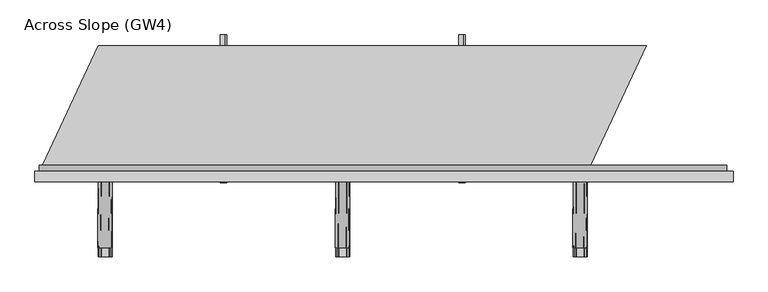
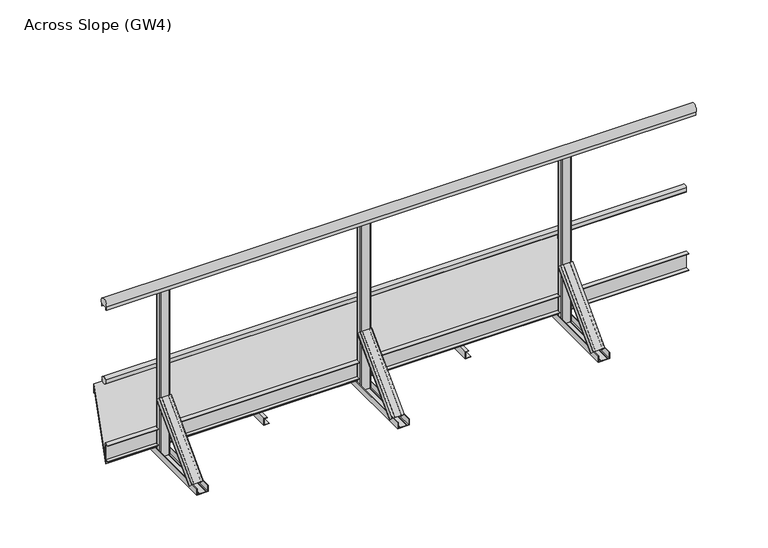
"""IFC4 building model written with IfcOpenShell, lengths in millimetres: proxy geometry, Across Slope (GW4)."""

from ifc_helpers import new_model, si_unit, point, frame, frame_2d, origin, origin_with_axes, place, context, project, spatial, polyline, circle_curve, trimmed, segment, composite_curve, outline, extrude, source, transform, mapped, element, save
from ifc_brep_helpers import plane_surface, extruded_surface, advanced_brep


def across_slope_gw4_ee32e095(model_context):
    return source(origin(), model_context, "Body", "SolidModel", [
        extrude(outline(polyline([(-622.0, 63.0), (-622.0, 66.0), (-600.0, 66.0), (-600.0, 160.0), (-622.0, 160.0), (-622.0, 163.0), (-597.0, 163.0), (-597.0, 63.0), (-622.0, 63.0)])), frame((0.0, 0.0, 0.0), z_axis=(1.0, 0.0, 0.0), x_axis=(0.0, 1.0, 0.0)), (0.0, 0.0, 1.0), 3252.9381096),
        extrude(outline(composite_curve([segment(trimmed(circle_curve(frame_2d((-584.287505, 528.0)), 20.0), [point((-565.7, 520.617273))], [point((-600.0, 515.6259343))], False, "CARTESIAN"), True, "CONTINUOUS"), segment(polyline([(-600.0, 515.6259343), (-600.0, 540.3740657)]), True, "CONTINUOUS"), segment(trimmed(circle_curve(frame_2d((-584.287505, 528.0)), 20.0), [point((-600.0, 540.3740657))], [point((-565.7, 535.382727))], False, "CARTESIAN"), True, "CONTINUOUS"), segment(polyline([(-565.7, 535.382727), (-569.7, 535.382727), (-569.7, 520.617273), (-565.7, 520.617273)]), True, "CONTINUOUS")], self_intersect=False)), frame((0.0, 0.0, 0.0), z_axis=(1.0, 0.0, 0.0), x_axis=(0.0, 1.0, 0.0)), (0.0, 0.0, 1.0), 3252.9381096),
        extrude(outline(composite_curve([segment(trimmed(circle_curve(frame_2d((-619.0, 1015.0)), 25.0), [point((-640.0, 1001.43534))], [point((-598.0, 1001.43534))], False, "CARTESIAN"), True, "CONTINUOUS"), segment(polyline([(-598.0, 1001.43534), (-598.0, 983.0), (-599.0, 983.0), (-599.0, 998.0), (-639.0, 998.0), (-639.0, 983.0), (-640.0, 983.0), (-640.0, 1001.43534)]), True, "CONTINUOUS")], self_intersect=False)), frame((-20.0, 0.0, 0.0), z_axis=(1.0, 0.0, 0.0), x_axis=(0.0, 1.0, 0.0)), (0.0, 0.0, 1.0), 3302.9381096),
        extrude(outline(polyline([(2e-07, 2015.7035822), (2.0000002, 2015.7035822), (2.0000002, 1987.7035822), (38.0000002, 1987.7035822), (38.0000002, 2005.7035822), (40.0000002, 2005.7035822), (40.0000002, 1985.7035822), (2e-07, 1985.7035822), (2e-07, 2015.7035822)])), frame((0.0, -650.0, 0.0), z_axis=(0.0, 1.0, 0.0), x_axis=(0.0, 0.0, 1.0)), (0.0, 0.0, 1.0), 700.0),
        extrude(outline(polyline([(2e-07, 887.2345274), (2.0000002, 887.2345274), (2.0000002, 859.2345274), (38.0000002, 859.2345274), (38.0000002, 877.2345274), (40.0000002, 877.2345274), (40.0000002, 857.2345274), (2e-07, 857.2345274), (2e-07, 887.2345274)])), frame((0.0, -650.0, 0.0), z_axis=(0.0, 1.0, 0.0), x_axis=(0.0, 0.0, 1.0)), (0.0, 0.0, 1.0), 700.0),
        extrude(outline(composite_curve([segment(trimmed(circle_curve(frame_2d((1459.4690548, -605.0)), 5.0), [point((1459.4690548, -600.0))], [point((1464.4690548, -605.0))], False, "CARTESIAN"), True, "CONTINUOUS"), segment(polyline([(1464.4690548, -605.0), (1464.4690548, -633.0)]), True, "CONTINUOUS"), segment(trimmed(circle_curve(frame_2d((1459.4690548, -633.0)), 5.0), [point((1464.4690548, -633.0))], [point((1459.4690548, -638.0))], False, "CARTESIAN"), True, "CONTINUOUS"), segment(polyline([(1459.4690548, -638.0), (1413.4690548, -638.0)]), True, "CONTINUOUS"), segment(trimmed(circle_curve(frame_2d((1413.4690548, -633.0)), 5.0), [point((1413.4690548, -638.0))], [point((1408.4690548, -633.0))], False, "CARTESIAN"), True, "CONTINUOUS"), segment(polyline([(1408.4690548, -633.0), (1408.4690548, -605.0)]), True, "CONTINUOUS"), segment(trimmed(circle_curve(frame_2d((1413.4690548, -605.0)), 5.0), [point((1408.4690548, -605.0))], [point((1413.4690548, -600.0))], False, "CARTESIAN"), True, "CONTINUOUS"), segment(polyline([(1413.4690548, -600.0), (1459.4690548, -600.0)]), True, "CONTINUOUS")], self_intersect=False)), origin_with_axes(), (0.0, 0.0, 1.0), 998.0),
        advanced_brep(
        [(1400.9690548, -956.2087394, 38.0), (1400.9690548, -930.3993419, 12.1906025), (1403.9690548, -930.3993419, 12.1906025), (1403.9690548, -954.0874191, 35.8786797), (1413.9690548, -954.0874191, 35.8786797), (1413.9690548, -952.3196521, 34.1109127), (1414.9690548, -952.3196521, 34.1109127), (1414.9690548, -954.0874191, 35.8786797), (1451.9690548, -954.0874191, 35.8786797), (1451.9690548, -952.3196521, 34.1109127), (1452.9690548, -952.3196521, 34.1109127), (1452.9690548, -954.0874191, 35.8786797), (1462.9690548, -954.0874191, 35.8786797), (1462.9690548, -930.3993419, 12.1906025), (1465.9690548, -930.3993419, 12.1906025), (1465.9690548, -956.2087394, 38.0), (1403.9690548, -638.0106879, 356.1980516), (1468.9690548, -638.0106879, 356.1980516), (1468.9690548, -612.2012904, 330.3886541), (1465.9690548, -612.2012904, 330.3886541), (1465.9690548, -635.8893676, 354.0767312), (1455.9690548, -635.8893676, 354.0767312), (1455.9690548, -634.1216006, 352.3089643), (1454.9690548, -634.1216006, 352.3089643), (1454.9690548, -635.8893676, 354.0767312), (1417.9690548, -635.8893676, 354.0767312), (1417.9690548, -634.1216006, 352.3089643), (1416.9690548, -634.1216006, 352.3089643), (1416.9690548, -635.8893676, 354.0767312), (1406.9690548, -635.8893676, 354.0767312), (1406.9690548, -612.2012904, 330.3886541), (1403.9690548, -612.2012904, 330.3886541)],
        [
            (0, 1),
            (1, 2, circle_curve(frame((1402.4690548, -930.3993419, 12.1906025), z_axis=(0.0, -0.7071067811865434, -0.7071067811865518), x_axis=(0.0, 0.7071067811865518, -0.7071067811865434)), 1.5)),
            (2, 3),
            (3, 4),
            (4, 5),
            (5, 6, circle_curve(frame((1414.4690548, -952.3196521, 34.1109127), z_axis=(0.0, -0.7071067811865434, -0.7071067811865518), x_axis=(0.0, 0.7071067811865518, -0.7071067811865434)), 0.5)),
            (6, 7),
            (7, 8),
            (8, 9),
            (9, 10, circle_curve(frame((1452.4690548, -952.3196521, 34.1109127), z_axis=(0.0, -0.7071067811865434, -0.7071067811865518), x_axis=(0.0, 0.7071067811865518, -0.7071067811865434)), 0.5)),
            (10, 11),
            (11, 12),
            (12, 13),
            (13, 14, circle_curve(frame((1464.4690548, -930.3993419, 12.1906025), z_axis=(0.0, -0.7071067811865434, -0.7071067811865518), x_axis=(0.0, 0.7071067811865518, -0.7071067811865434)), 1.5)),
            (14, 15),
            (15, 0),
            (16, 17),
            (17, 18),
            (18, 19, circle_curve(frame((1467.4690548, -612.2012904, 330.3886541), z_axis=(0.0, 0.7071067811865434, 0.7071067811865518), x_axis=(0.0, 0.7071067811865518, -0.7071067811865434)), 1.5)),
            (19, 20),
            (20, 21),
            (21, 22),
            (22, 23, circle_curve(frame((1455.4690548, -634.1216006, 352.3089643), z_axis=(0.0, 0.7071067811865434, 0.7071067811865518), x_axis=(0.0, 0.7071067811865518, -0.7071067811865434)), 0.5)),
            (23, 24),
            (24, 25),
            (25, 26),
            (26, 27, circle_curve(frame((1417.4690548, -634.1216006, 352.3089643), z_axis=(0.0, 0.7071067811865434, 0.7071067811865518), x_axis=(0.0, 0.7071067811865518, -0.7071067811865434)), 0.5)),
            (27, 28),
            (28, 29),
            (29, 30),
            (30, 31, circle_curve(frame((1405.4690548, -612.2012904, 330.3886541), z_axis=(0.0, 0.7071067811865434, 0.7071067811865518), x_axis=(0.0, 0.7071067811865518, -0.7071067811865434)), 1.5)),
            (31, 16),
            (31, 1),
            (0, 16),
            (30, 2),
            (29, 3),
            (28, 4),
            (27, 5),
            (26, 6),
            (25, 7),
            (24, 8),
            (23, 9),
            (22, 10),
            (21, 11),
            (20, 12),
            (19, 13),
            (18, 14),
            (17, 15),
        ],
        [
            plane_surface(frame((1433.4690548, -947.9886231, 29.7798837), z_axis=(0.0, -0.7071067811865431, -0.7071067811865519), x_axis=(0.0, 0.7071067811865519, -0.7071067811865431))),
            plane_surface(frame((1436.4690548, -629.7905716, 347.9779352), z_axis=(0.0, 0.7071067811865432, 0.7071067811865518), x_axis=(0.0, 0.7071067811865518, -0.7071067811865432))),
            plane_surface(frame((1403.9690548, -625.1059891, 343.2933528), z_axis=(-0.9999777785184911, 0.004713940454842056, 0.00471394045484199), x_axis=(0.0, 0.7071067811865519, -0.7071067811865431))),
            extruded_surface(trimmed(circle_curve(frame((1405.4690548, -612.2012904, 330.3886541), z_axis=(0.0, -0.7071067811865434, -0.7071067811865518), x_axis=(0.0, 0.7071067811865518, -0.7071067811865434)), 1.5), [point((1403.9690548, -612.2012904, 330.3886541))], [point((1406.9690548, -612.2012904, 330.3886541))], True, "CARTESIAN"), (-3.0, -318.1980515, -318.1980516), 450.0099999115941),
            plane_surface(frame((1406.9690548, -624.045329, 342.2326926), z_axis=(0.9999777785184913, -0.004713940454842056, -0.004713940454841989), x_axis=(0.0, -0.707106781186552, 0.7071067811865432))),
            plane_surface(frame((1411.9690548, -635.8893676, 354.0767312), z_axis=(0.0, 0.7071067811865522, -0.7071067811865428), x_axis=(1.0, 0.0, 0.0))),
            plane_surface(frame((1416.9690548, -635.0054841, 353.1928478), z_axis=(-0.9999777785184911, 0.004713940454842032, 0.004713940454842015), x_axis=(0.0, 0.7071067811865557, -0.7071067811865394))),
            extruded_surface(trimmed(circle_curve(frame((1417.4690548, -634.1216006, 352.3089643), z_axis=(0.0, -0.7071067811865434, -0.7071067811865518), x_axis=(0.0, 0.7071067811865518, -0.7071067811865434)), 0.5), [point((1416.9690548, -634.1216006, 352.3089643))], [point((1417.9690548, -634.1216006, 352.3089643))], True, "CARTESIAN"), (-3.0, -318.1980515, -318.1980516), 450.0099999115941),
            plane_surface(frame((1417.9690548, -635.0054841, 353.1928478), z_axis=(0.9999777785184911, -0.004713940454842046, -0.004713940454842029), x_axis=(0.0, -0.7071067811865557, 0.7071067811865394))),
            plane_surface(frame((1436.4690548, -635.8893676, 354.0767312), z_axis=(0.0, 0.7071067811865522, -0.7071067811865428), x_axis=(1.0, 0.0, 0.0))),
            plane_surface(frame((1454.9690548, -635.0054841, 353.1928478), z_axis=(-0.9999777785184911, 0.004713940454842039, 0.004713940454842022), x_axis=(0.0, 0.7071067811865557, -0.7071067811865394))),
            extruded_surface(trimmed(circle_curve(frame((1455.4690548, -634.1216006, 352.3089643), z_axis=(0.0, -0.7071067811865434, -0.7071067811865518), x_axis=(0.0, 0.7071067811865518, -0.7071067811865434)), 0.5), [point((1454.9690548, -634.1216006, 352.3089643))], [point((1455.9690548, -634.1216006, 352.3089643))], True, "CARTESIAN"), (-3.0, -318.1980515, -318.1980516), 450.0099999115941),
            plane_surface(frame((1455.9690548, -635.0054841, 353.1928478), z_axis=(0.9999777785184911, -0.004713940454842066, -0.004713940454841993), x_axis=(0.0, -0.7071067811865515, 0.7071067811865436))),
            plane_surface(frame((1460.9690548, -635.8893676, 354.0767312), z_axis=(0.0, 0.707106781186552, -0.707106781186543), x_axis=(1.0, 0.0, 0.0))),
            plane_surface(frame((1465.9690548, -624.045329, 342.2326926), z_axis=(-0.9999777785184913, 0.004713940454842063, 0.004713940454841996), x_axis=(0.0, 0.707106781186552, -0.7071067811865432))),
            extruded_surface(trimmed(circle_curve(frame((1467.4690548, -612.2012904, 330.3886541), z_axis=(0.0, -0.7071067811865434, -0.7071067811865518), x_axis=(0.0, 0.7071067811865518, -0.7071067811865434)), 1.5), [point((1465.9690548, -612.2012904, 330.3886541))], [point((1468.9690548, -612.2012904, 330.3886541))], True, "CARTESIAN"), (-3.0, -318.1980515, -318.1980516), 450.0099999115941),
            plane_surface(frame((1468.9690548, -625.1059891, 343.2933528), z_axis=(0.9999777785184911, -0.004713940454842065, -0.0047139404548419955), x_axis=(0.0, -0.7071067811865517, 0.7071067811865434))),
            plane_surface(frame((1436.4690548, -638.0106879, 356.1980516), z_axis=(0.0, -0.7071067811865523, 0.7071067811865427), x_axis=(-1.0, 0.0, 0.0))),
        ],
        [
            (0, [[1, 2, 3, 4, 5, 6, 7, 8, 9, 10, 11, 12, 13, 14, 15, 16]]),
            (1, [[17, 18, 19, 20, 21, 22, 23, 24, 25, 26, 27, 28, 29, 30, 31, 32]]),
            (2, [[-32, 33, -1, 34]]),
            (3, [[-31, 35, -2, -33]]),
            (4, [[-30, 36, -3, -35]]),
            (5, [[-29, 37, -4, -36]]),
            (6, [[-28, 38, -5, -37]]),
            (7, [[-27, 39, -6, -38]]),
            (8, [[-26, 40, -7, -39]]),
            (9, [[-25, 41, -8, -40]]),
            (10, [[-24, 42, -9, -41]]),
            (11, [[-23, 43, -10, -42]]),
            (12, [[-22, 44, -11, -43]]),
            (13, [[-21, 45, -12, -44]]),
            (14, [[-20, 46, -13, -45]]),
            (15, [[-19, 47, -14, -46]]),
            (16, [[-18, 48, -15, -47]]),
            (17, [[-17, -34, -16, -48]]),
        ],
    ),
        extrude(outline(composite_curve([segment(polyline([(0.0, 1403.9690548), (0.0, 1468.9690548), (36.5, 1468.9690548)]), True, "CONTINUOUS"), segment(trimmed(circle_curve(frame_2d((36.5, 1467.4690548)), 1.5), [point((36.5, 1468.9690548))], [point((36.5, 1465.9690548))], False, "CARTESIAN"), True, "CONTINUOUS"), segment(polyline([(36.5, 1465.9690548), (3.0, 1465.9690548), (3.0, 1455.9690548), (5.5, 1455.9690548)]), True, "CONTINUOUS"), segment(trimmed(circle_curve(frame_2d((5.5, 1455.4690548)), 0.5), [point((5.5, 1455.9690548))], [point((5.5, 1454.9690548))], False, "CARTESIAN"), True, "CONTINUOUS"), segment(polyline([(5.5, 1454.9690548), (3.0, 1454.9690548), (3.0, 1417.9690548), (5.5, 1417.9690548)]), True, "CONTINUOUS"), segment(trimmed(circle_curve(frame_2d((5.5, 1417.4690548)), 0.5), [point((5.5, 1417.9690548))], [point((5.5, 1416.9690548))], False, "CARTESIAN"), True, "CONTINUOUS"), segment(polyline([(5.5, 1416.9690548), (3.0, 1416.9690548), (3.0, 1406.9690548), (36.5, 1406.9690548)]), True, "CONTINUOUS"), segment(trimmed(circle_curve(frame_2d((36.5, 1405.4690548)), 1.5), [point((36.5, 1406.9690548))], [point((36.5, 1403.9690548))], False, "CARTESIAN"), True, "CONTINUOUS"), segment(polyline([(36.5, 1403.9690548), (0.0, 1403.9690548)]), True, "CONTINUOUS")], self_intersect=False)), frame((0.0, -1000.0, 0.0), z_axis=(0.0, 1.0, 0.0), x_axis=(0.0, 0.0, 1.0)), (0.0, 0.0, 1.0), 1000.0),
        extrude(outline(composite_curve([segment(trimmed(circle_curve(frame_2d((2583.4381096, -605.0)), 5.0), [point((2583.4381096, -600.0))], [point((2588.4381096, -605.0))], False, "CARTESIAN"), True, "CONTINUOUS"), segment(polyline([(2588.4381096, -605.0), (2588.4381096, -633.0)]), True, "CONTINUOUS"), segment(trimmed(circle_curve(frame_2d((2583.4381096, -633.0)), 5.0), [point((2588.4381096, -633.0))], [point((2583.4381096, -638.0))], False, "CARTESIAN"), True, "CONTINUOUS"), segment(polyline([(2583.4381096, -638.0), (2537.4381096, -638.0)]), True, "CONTINUOUS"), segment(trimmed(circle_curve(frame_2d((2537.4381096, -633.0)), 5.0), [point((2537.4381096, -638.0))], [point((2532.4381096, -633.0))], False, "CARTESIAN"), True, "CONTINUOUS"), segment(polyline([(2532.4381096, -633.0), (2532.4381096, -605.0)]), True, "CONTINUOUS"), segment(trimmed(circle_curve(frame_2d((2537.4381096, -605.0)), 5.0), [point((2532.4381096, -605.0))], [point((2537.4381096, -600.0))], False, "CARTESIAN"), True, "CONTINUOUS"), segment(polyline([(2537.4381096, -600.0), (2583.4381096, -600.0)]), True, "CONTINUOUS")], self_intersect=False)), origin_with_axes(), (0.0, 0.0, 1.0), 998.0),
        advanced_brep(
        [(2524.9381096, -956.2087394, 38.0), (2524.9381096, -930.3993419, 12.1906025), (2527.9381096, -930.3993419, 12.1906025), (2527.9381096, -954.0874191, 35.8786797), (2537.9381096, -954.0874191, 35.8786797), (2537.9381096, -952.3196521, 34.1109127), (2538.9381096, -952.3196521, 34.1109127), (2538.9381096, -954.0874191, 35.8786797), (2575.9381096, -954.0874191, 35.8786797), (2575.9381096, -952.3196521, 34.1109127), (2576.9381096, -952.3196521, 34.1109127), (2576.9381096, -954.0874191, 35.8786797), (2586.9381096, -954.0874191, 35.8786797), (2586.9381096, -930.3993419, 12.1906025), (2589.9381096, -930.3993419, 12.1906025), (2589.9381096, -956.2087394, 38.0), (2527.9381096, -638.0106879, 356.1980516), (2592.9381096, -638.0106879, 356.1980516), (2592.9381096, -612.2012904, 330.3886541), (2589.9381096, -612.2012904, 330.3886541), (2589.9381096, -635.8893676, 354.0767312), (2579.9381096, -635.8893676, 354.0767312), (2579.9381096, -634.1216006, 352.3089643), (2578.9381096, -634.1216006, 352.3089643), (2578.9381096, -635.8893676, 354.0767312), (2541.9381096, -635.8893676, 354.0767312), (2541.9381096, -634.1216006, 352.3089643), (2540.9381096, -634.1216006, 352.3089643), (2540.9381096, -635.8893676, 354.0767312), (2530.9381096, -635.8893676, 354.0767312), (2530.9381096, -612.2012904, 330.3886541), (2527.9381096, -612.2012904, 330.3886541)],
        [
            (0, 1),
            (1, 2, circle_curve(frame((2526.4381096, -930.3993419, 12.1906025), z_axis=(0.0, -0.7071067811865434, -0.7071067811865518), x_axis=(0.0, 0.7071067811865518, -0.7071067811865434)), 1.5)),
            (2, 3),
            (3, 4),
            (4, 5),
            (5, 6, circle_curve(frame((2538.4381096, -952.3196521, 34.1109127), z_axis=(0.0, -0.7071067811865434, -0.7071067811865518), x_axis=(0.0, 0.7071067811865518, -0.7071067811865434)), 0.5)),
            (6, 7),
            (7, 8),
            (8, 9),
            (9, 10, circle_curve(frame((2576.4381096, -952.3196521, 34.1109127), z_axis=(0.0, -0.7071067811865434, -0.7071067811865518), x_axis=(0.0, 0.7071067811865518, -0.7071067811865434)), 0.5)),
            (10, 11),
            (11, 12),
            (12, 13),
            (13, 14, circle_curve(frame((2588.4381096, -930.3993419, 12.1906025), z_axis=(0.0, -0.7071067811865434, -0.7071067811865518), x_axis=(0.0, 0.7071067811865518, -0.7071067811865434)), 1.5)),
            (14, 15),
            (15, 0),
            (16, 17),
            (17, 18),
            (18, 19, circle_curve(frame((2591.4381096, -612.2012904, 330.3886541), z_axis=(0.0, 0.7071067811865434, 0.7071067811865518), x_axis=(0.0, 0.7071067811865518, -0.7071067811865434)), 1.5)),
            (19, 20),
            (20, 21),
            (21, 22),
            (22, 23, circle_curve(frame((2579.4381096, -634.1216006, 352.3089643), z_axis=(0.0, 0.7071067811865434, 0.7071067811865518), x_axis=(0.0, 0.7071067811865518, -0.7071067811865434)), 0.5)),
            (23, 24),
            (24, 25),
            (25, 26),
            (26, 27, circle_curve(frame((2541.4381096, -634.1216006, 352.3089643), z_axis=(0.0, 0.7071067811865434, 0.7071067811865518), x_axis=(0.0, 0.7071067811865518, -0.7071067811865434)), 0.5)),
            (27, 28),
            (28, 29),
            (29, 30),
            (30, 31, circle_curve(frame((2529.4381096, -612.2012904, 330.3886541), z_axis=(0.0, 0.7071067811865434, 0.7071067811865518), x_axis=(0.0, 0.7071067811865518, -0.7071067811865434)), 1.5)),
            (31, 16),
            (31, 1),
            (0, 16),
            (30, 2),
            (29, 3),
            (28, 4),
            (27, 5),
            (26, 6),
            (25, 7),
            (24, 8),
            (23, 9),
            (22, 10),
            (21, 11),
            (20, 12),
            (19, 13),
            (18, 14),
            (17, 15),
        ],
        [
            plane_surface(frame((2557.4381096, -947.9886231, 29.7798837), z_axis=(0.0, -0.7071067811865431, -0.7071067811865519), x_axis=(0.0, 0.7071067811865519, -0.7071067811865431))),
            plane_surface(frame((2560.4381096, -629.7905716, 347.9779352), z_axis=(0.0, 0.7071067811865432, 0.7071067811865518), x_axis=(0.0, 0.7071067811865518, -0.7071067811865432))),
            plane_surface(frame((2527.9381096, -625.1059891, 343.2933528), z_axis=(-0.9999777785184911, 0.004713940454842056, 0.00471394045484199), x_axis=(0.0, 0.7071067811865519, -0.7071067811865431))),
            extruded_surface(trimmed(circle_curve(frame((2529.4381096, -612.2012904, 330.3886541), z_axis=(0.0, -0.7071067811865434, -0.7071067811865518), x_axis=(0.0, 0.7071067811865518, -0.7071067811865434)), 1.5), [point((2527.9381096, -612.2012904, 330.3886541))], [point((2530.9381096, -612.2012904, 330.3886541))], True, "CARTESIAN"), (-3.0, -318.1980515, -318.1980516), 450.0099999115941),
            plane_surface(frame((2530.9381096, -624.045329, 342.2326926), z_axis=(0.9999777785184913, -0.004713940454842056, -0.004713940454841989), x_axis=(0.0, -0.707106781186552, 0.7071067811865432))),
            plane_surface(frame((2535.9381096, -635.8893676, 354.0767312), z_axis=(0.0, 0.7071067811865522, -0.7071067811865428), x_axis=(1.0, 0.0, 0.0))),
            plane_surface(frame((2540.9381096, -635.0054841, 353.1928478), z_axis=(-0.9999777785184911, 0.004713940454842032, 0.004713940454842015), x_axis=(0.0, 0.7071067811865557, -0.7071067811865394))),
            extruded_surface(trimmed(circle_curve(frame((2541.4381096, -634.1216006, 352.3089643), z_axis=(0.0, -0.7071067811865434, -0.7071067811865518), x_axis=(0.0, 0.7071067811865518, -0.7071067811865434)), 0.5), [point((2540.9381096, -634.1216006, 352.3089643))], [point((2541.9381096, -634.1216006, 352.3089643))], True, "CARTESIAN"), (-3.0, -318.1980515, -318.1980516), 450.0099999115941),
            plane_surface(frame((2541.9381096, -635.0054841, 353.1928478), z_axis=(0.9999777785184911, -0.004713940454842046, -0.004713940454842029), x_axis=(0.0, -0.7071067811865557, 0.7071067811865394))),
            plane_surface(frame((2560.4381096, -635.8893676, 354.0767312), z_axis=(0.0, 0.7071067811865522, -0.7071067811865428), x_axis=(1.0, 0.0, 0.0))),
            plane_surface(frame((2578.9381096, -635.0054841, 353.1928478), z_axis=(-0.9999777785184911, 0.004713940454842039, 0.004713940454842022), x_axis=(0.0, 0.7071067811865557, -0.7071067811865394))),
            extruded_surface(trimmed(circle_curve(frame((2579.4381096, -634.1216006, 352.3089643), z_axis=(0.0, -0.7071067811865434, -0.7071067811865518), x_axis=(0.0, 0.7071067811865518, -0.7071067811865434)), 0.5), [point((2578.9381096, -634.1216006, 352.3089643))], [point((2579.9381096, -634.1216006, 352.3089643))], True, "CARTESIAN"), (-3.0, -318.1980515, -318.1980516), 450.0099999115941),
            plane_surface(frame((2579.9381096, -635.0054841, 353.1928478), z_axis=(0.9999777785184911, -0.004713940454842066, -0.004713940454841993), x_axis=(0.0, -0.7071067811865515, 0.7071067811865436))),
            plane_surface(frame((2584.9381096, -635.8893676, 354.0767312), z_axis=(0.0, 0.707106781186552, -0.707106781186543), x_axis=(1.0, 0.0, 0.0))),
            plane_surface(frame((2589.9381096, -624.045329, 342.2326926), z_axis=(-0.9999777785184913, 0.004713940454842063, 0.004713940454841996), x_axis=(0.0, 0.707106781186552, -0.7071067811865432))),
            extruded_surface(trimmed(circle_curve(frame((2591.4381096, -612.2012904, 330.3886541), z_axis=(0.0, -0.7071067811865434, -0.7071067811865518), x_axis=(0.0, 0.7071067811865518, -0.7071067811865434)), 1.5), [point((2589.9381096, -612.2012904, 330.3886541))], [point((2592.9381096, -612.2012904, 330.3886541))], True, "CARTESIAN"), (-3.0, -318.1980515, -318.1980516), 450.0099999115941),
            plane_surface(frame((2592.9381096, -625.1059891, 343.2933528), z_axis=(0.9999777785184911, -0.004713940454842065, -0.0047139404548419955), x_axis=(0.0, -0.7071067811865517, 0.7071067811865434))),
            plane_surface(frame((2560.4381096, -638.0106879, 356.1980516), z_axis=(0.0, -0.7071067811865523, 0.7071067811865427), x_axis=(-1.0, 0.0, 0.0))),
        ],
        [
            (0, [[1, 2, 3, 4, 5, 6, 7, 8, 9, 10, 11, 12, 13, 14, 15, 16]]),
            (1, [[17, 18, 19, 20, 21, 22, 23, 24, 25, 26, 27, 28, 29, 30, 31, 32]]),
            (2, [[-32, 33, -1, 34]]),
            (3, [[-31, 35, -2, -33]]),
            (4, [[-30, 36, -3, -35]]),
            (5, [[-29, 37, -4, -36]]),
            (6, [[-28, 38, -5, -37]]),
            (7, [[-27, 39, -6, -38]]),
            (8, [[-26, 40, -7, -39]]),
            (9, [[-25, 41, -8, -40]]),
            (10, [[-24, 42, -9, -41]]),
            (11, [[-23, 43, -10, -42]]),
            (12, [[-22, 44, -11, -43]]),
            (13, [[-21, 45, -12, -44]]),
            (14, [[-20, 46, -13, -45]]),
            (15, [[-19, 47, -14, -46]]),
            (16, [[-18, 48, -15, -47]]),
            (17, [[-17, -34, -16, -48]]),
        ],
    ),
        extrude(outline(composite_curve([segment(polyline([(0.0, 2527.9381096), (0.0, 2592.9381096), (36.5, 2592.9381096)]), True, "CONTINUOUS"), segment(trimmed(circle_curve(frame_2d((36.5, 2591.4381096)), 1.5), [point((36.5, 2592.9381096))], [point((36.5, 2589.9381096))], False, "CARTESIAN"), True, "CONTINUOUS"), segment(polyline([(36.5, 2589.9381096), (3.0, 2589.9381096), (3.0, 2579.9381096), (5.5, 2579.9381096)]), True, "CONTINUOUS"), segment(trimmed(circle_curve(frame_2d((5.5, 2579.4381096)), 0.5), [point((5.5, 2579.9381096))], [point((5.5, 2578.9381096))], False, "CARTESIAN"), True, "CONTINUOUS"), segment(polyline([(5.5, 2578.9381096), (3.0, 2578.9381096), (3.0, 2541.9381096), (5.5, 2541.9381096)]), True, "CONTINUOUS"), segment(trimmed(circle_curve(frame_2d((5.5, 2541.4381096)), 0.5), [point((5.5, 2541.9381096))], [point((5.5, 2540.9381096))], False, "CARTESIAN"), True, "CONTINUOUS"), segment(polyline([(5.5, 2540.9381096), (3.0, 2540.9381096), (3.0, 2530.9381096), (36.5, 2530.9381096)]), True, "CONTINUOUS"), segment(trimmed(circle_curve(frame_2d((36.5, 2529.4381096)), 1.5), [point((36.5, 2530.9381096))], [point((36.5, 2527.9381096))], False, "CARTESIAN"), True, "CONTINUOUS"), segment(polyline([(36.5, 2527.9381096), (0.0, 2527.9381096)]), True, "CONTINUOUS")], self_intersect=False)), frame((0.0, -1000.0, 0.0), z_axis=(0.0, 1.0, 0.0), x_axis=(0.0, 0.0, 1.0)), (0.0, 0.0, 1.0), 1000.0),
        extrude(outline(composite_curve([segment(trimmed(circle_curve(frame_2d((335.5, -605.0)), 5.0), [point((335.5, -600.0))], [point((340.5, -605.0))], False, "CARTESIAN"), True, "CONTINUOUS"), segment(polyline([(340.5, -605.0), (340.5, -633.0)]), True, "CONTINUOUS"), segment(trimmed(circle_curve(frame_2d((335.5, -633.0)), 5.0), [point((340.5, -633.0))], [point((335.5, -638.0))], False, "CARTESIAN"), True, "CONTINUOUS"), segment(polyline([(335.5, -638.0), (289.5, -638.0)]), True, "CONTINUOUS"), segment(trimmed(circle_curve(frame_2d((289.5, -633.0)), 5.0), [point((289.5, -638.0))], [point((284.5, -633.0))], False, "CARTESIAN"), True, "CONTINUOUS"), segment(polyline([(284.5, -633.0), (284.5, -605.0)]), True, "CONTINUOUS"), segment(trimmed(circle_curve(frame_2d((289.5, -605.0)), 5.0), [point((284.5, -605.0))], [point((289.5, -600.0))], False, "CARTESIAN"), True, "CONTINUOUS"), segment(polyline([(289.5, -600.0), (335.5, -600.0)]), True, "CONTINUOUS")], self_intersect=False)), origin_with_axes(), (0.0, 0.0, 1.0), 998.0),
        advanced_brep(
        [(277.0, -956.2087394, 38.0), (277.0, -930.3993419, 12.1906025), (280.0, -930.3993419, 12.1906025), (280.0, -954.0874191, 35.8786797), (290.0, -954.0874191, 35.8786797), (290.0, -952.3196521, 34.1109127), (291.0, -952.3196521, 34.1109127), (291.0, -954.0874191, 35.8786797), (328.0, -954.0874191, 35.8786797), (328.0, -952.3196521, 34.1109127), (329.0, -952.3196521, 34.1109127), (329.0, -954.0874191, 35.8786797), (339.0, -954.0874191, 35.8786797), (339.0, -930.3993419, 12.1906025), (342.0, -930.3993419, 12.1906025), (342.0, -956.2087394, 38.0), (280.0, -638.0106879, 356.1980515), (345.0, -638.0106879, 356.1980515), (345.0, -612.2012904, 330.388654), (342.0, -612.2012904, 330.388654), (342.0, -635.8893676, 354.0767312), (332.0, -635.8893676, 354.0767312), (332.0, -634.1216006, 352.3089642), (331.0, -634.1216006, 352.3089642), (331.0, -635.8893676, 354.0767312), (294.0, -635.8893676, 354.0767312), (294.0, -634.1216006, 352.3089642), (293.0, -634.1216006, 352.3089642), (293.0, -635.8893676, 354.0767312), (283.0, -635.8893676, 354.0767312), (283.0, -612.2012904, 330.388654), (280.0, -612.2012904, 330.388654)],
        [
            (0, 1),
            (1, 2, circle_curve(frame((278.5, -930.3993419, 12.1906025), z_axis=(0.0, -0.7071067811865434, -0.7071067811865518), x_axis=(0.0, 0.7071067811865518, -0.7071067811865434)), 1.5)),
            (2, 3),
            (3, 4),
            (4, 5),
            (5, 6, circle_curve(frame((290.5, -952.3196521, 34.1109127), z_axis=(0.0, -0.7071067811865434, -0.7071067811865518), x_axis=(0.0, 0.7071067811865518, -0.7071067811865434)), 0.5)),
            (6, 7),
            (7, 8),
            (8, 9),
            (9, 10, circle_curve(frame((328.5, -952.3196521, 34.1109127), z_axis=(0.0, -0.7071067811865434, -0.7071067811865518), x_axis=(0.0, 0.7071067811865518, -0.7071067811865434)), 0.5)),
            (10, 11),
            (11, 12),
            (12, 13),
            (13, 14, circle_curve(frame((340.5, -930.3993419, 12.1906025), z_axis=(0.0, -0.7071067811865434, -0.7071067811865518), x_axis=(0.0, 0.7071067811865518, -0.7071067811865434)), 1.5)),
            (14, 15),
            (15, 0),
            (16, 17),
            (17, 18),
            (18, 19, circle_curve(frame((343.5, -612.2012904, 330.388654), z_axis=(0.0, 0.7071067811865434, 0.7071067811865518), x_axis=(0.0, 0.7071067811865518, -0.7071067811865434)), 1.5)),
            (19, 20),
            (20, 21),
            (21, 22),
            (22, 23, circle_curve(frame((331.5, -634.1216006, 352.3089642), z_axis=(0.0, 0.7071067811865434, 0.7071067811865518), x_axis=(0.0, 0.7071067811865518, -0.7071067811865434)), 0.5)),
            (23, 24),
            (24, 25),
            (25, 26),
            (26, 27, circle_curve(frame((293.5, -634.1216006, 352.3089642), z_axis=(0.0, 0.7071067811865434, 0.7071067811865518), x_axis=(0.0, 0.7071067811865518, -0.7071067811865434)), 0.5)),
            (27, 28),
            (28, 29),
            (29, 30),
            (30, 31, circle_curve(frame((281.5, -612.2012904, 330.388654), z_axis=(0.0, 0.7071067811865434, 0.7071067811865518), x_axis=(0.0, 0.7071067811865518, -0.7071067811865434)), 1.5)),
            (31, 16),
            (31, 1),
            (0, 16),
            (30, 2),
            (29, 3),
            (28, 4),
            (27, 5),
            (26, 6),
            (25, 7),
            (24, 8),
            (23, 9),
            (22, 10),
            (21, 11),
            (20, 12),
            (19, 13),
            (18, 14),
            (17, 15),
        ],
        [
            plane_surface(frame((309.5, -947.9886231, 29.7798837), z_axis=(0.0, -0.7071067811865431, -0.7071067811865519), x_axis=(0.0, 0.7071067811865519, -0.7071067811865431))),
            plane_surface(frame((312.5, -629.7905716, 347.9779352), z_axis=(0.0, 0.7071067811865432, 0.7071067811865518), x_axis=(0.0, 0.7071067811865518, -0.7071067811865432))),
            plane_surface(frame((280.0, -625.1059891, 343.2933528), z_axis=(-0.9999777785184911, 0.004713940454842056, 0.00471394045484199), x_axis=(0.0, 0.7071067811865519, -0.7071067811865431))),
            extruded_surface(trimmed(circle_curve(frame((281.5, -612.2012904, 330.388654), z_axis=(0.0, -0.7071067811865434, -0.7071067811865518), x_axis=(0.0, 0.7071067811865518, -0.7071067811865434)), 1.5), [point((280.0, -612.2012904, 330.388654))], [point((283.0, -612.2012904, 330.388654))], True, "CARTESIAN"), (-3.0, -318.1980515, -318.19805149999996), 450.009999840885),
            plane_surface(frame((283.0, -624.045329, 342.2326926), z_axis=(0.9999777785184913, -0.004713940454842056, -0.004713940454841989), x_axis=(0.0, -0.707106781186552, 0.7071067811865432))),
            plane_surface(frame((288.0, -635.8893676, 354.0767312), z_axis=(0.0, 0.7071067811865522, -0.7071067811865428), x_axis=(1.0, 0.0, 0.0))),
            plane_surface(frame((293.0, -635.0054841, 353.1928477), z_axis=(-0.9999777785184911, 0.004713940454842032, 0.004713940454842015), x_axis=(0.0, 0.7071067811865557, -0.7071067811865394))),
            extruded_surface(trimmed(circle_curve(frame((293.5, -634.1216006, 352.3089642), z_axis=(0.0, -0.7071067811865434, -0.7071067811865518), x_axis=(0.0, 0.7071067811865518, -0.7071067811865434)), 0.5), [point((293.0, -634.1216006, 352.3089642))], [point((294.0, -634.1216006, 352.3089642))], True, "CARTESIAN"), (-3.0, -318.1980515, -318.1980515), 450.00999984088503),
            plane_surface(frame((294.0, -635.0054841, 353.1928477), z_axis=(0.9999777785184911, -0.004713940454842046, -0.004713940454842029), x_axis=(0.0, -0.7071067811865557, 0.7071067811865394))),
            plane_surface(frame((312.5, -635.8893676, 354.0767312), z_axis=(0.0, 0.7071067811865522, -0.7071067811865428), x_axis=(1.0, 0.0, 0.0))),
            plane_surface(frame((331.0, -635.0054841, 353.1928477), z_axis=(-0.9999777785184911, 0.004713940454842039, 0.004713940454842022), x_axis=(0.0, 0.7071067811865557, -0.7071067811865394))),
            extruded_surface(trimmed(circle_curve(frame((331.5, -634.1216006, 352.3089642), z_axis=(0.0, -0.7071067811865434, -0.7071067811865518), x_axis=(0.0, 0.7071067811865518, -0.7071067811865434)), 0.5), [point((331.0, -634.1216006, 352.3089642))], [point((332.0, -634.1216006, 352.3089642))], True, "CARTESIAN"), (-3.0, -318.1980515, -318.1980515), 450.00999984088503),
            plane_surface(frame((332.0, -635.0054841, 353.1928477), z_axis=(0.9999777785184911, -0.004713940454842066, -0.004713940454841993), x_axis=(0.0, -0.7071067811865515, 0.7071067811865436))),
            plane_surface(frame((337.0, -635.8893676, 354.0767312), z_axis=(0.0, 0.707106781186552, -0.707106781186543), x_axis=(1.0, 0.0, 0.0))),
            plane_surface(frame((342.0, -624.045329, 342.2326926), z_axis=(-0.9999777785184913, 0.004713940454842063, 0.004713940454841996), x_axis=(0.0, 0.707106781186552, -0.7071067811865432))),
            extruded_surface(trimmed(circle_curve(frame((343.5, -612.2012904, 330.388654), z_axis=(0.0, -0.7071067811865434, -0.7071067811865518), x_axis=(0.0, 0.7071067811865518, -0.7071067811865434)), 1.5), [point((342.0, -612.2012904, 330.388654))], [point((345.0, -612.2012904, 330.388654))], True, "CARTESIAN"), (-3.0, -318.1980515, -318.19805149999996), 450.009999840885),
            plane_surface(frame((345.0, -625.1059891, 343.2933528), z_axis=(0.9999777785184911, -0.004713940454842065, -0.0047139404548419955), x_axis=(0.0, -0.7071067811865517, 0.7071067811865434))),
            plane_surface(frame((312.5, -638.0106879, 356.1980515), z_axis=(0.0, -0.7071067811865523, 0.7071067811865427), x_axis=(-1.0, 0.0, 0.0))),
        ],
        [
            (0, [[1, 2, 3, 4, 5, 6, 7, 8, 9, 10, 11, 12, 13, 14, 15, 16]]),
            (1, [[17, 18, 19, 20, 21, 22, 23, 24, 25, 26, 27, 28, 29, 30, 31, 32]]),
            (2, [[-32, 33, -1, 34]]),
            (3, [[-31, 35, -2, -33]]),
            (4, [[-30, 36, -3, -35]]),
            (5, [[-29, 37, -4, -36]]),
            (6, [[-28, 38, -5, -37]]),
            (7, [[-27, 39, -6, -38]]),
            (8, [[-26, 40, -7, -39]]),
            (9, [[-25, 41, -8, -40]]),
            (10, [[-24, 42, -9, -41]]),
            (11, [[-23, 43, -10, -42]]),
            (12, [[-22, 44, -11, -43]]),
            (13, [[-21, 45, -12, -44]]),
            (14, [[-20, 46, -13, -45]]),
            (15, [[-19, 47, -14, -46]]),
            (16, [[-18, 48, -15, -47]]),
            (17, [[-17, -34, -16, -48]]),
        ],
    ),
        extrude(outline(composite_curve([segment(polyline([(0.0, 280.0), (0.0, 345.0), (36.5, 345.0)]), True, "CONTINUOUS"), segment(trimmed(circle_curve(frame_2d((36.5, 343.5)), 1.5), [point((36.5, 345.0))], [point((36.5, 342.0))], False, "CARTESIAN"), True, "CONTINUOUS"), segment(polyline([(36.5, 342.0), (3.0, 342.0), (3.0, 332.0), (5.5, 332.0)]), True, "CONTINUOUS"), segment(trimmed(circle_curve(frame_2d((5.5, 331.5)), 0.5), [point((5.5, 332.0))], [point((5.5, 331.0))], False, "CARTESIAN"), True, "CONTINUOUS"), segment(polyline([(5.5, 331.0), (3.0, 331.0), (3.0, 294.0), (5.5, 294.0)]), True, "CONTINUOUS"), segment(trimmed(circle_curve(frame_2d((5.5, 293.5)), 0.5), [point((5.5, 294.0))], [point((5.5, 293.0))], False, "CARTESIAN"), True, "CONTINUOUS"), segment(polyline([(5.5, 293.0), (3.0, 293.0), (3.0, 283.0), (36.5, 283.0)]), True, "CONTINUOUS"), segment(trimmed(circle_curve(frame_2d((36.5, 281.5)), 1.5), [point((36.5, 283.0))], [point((36.5, 280.0))], False, "CARTESIAN"), True, "CONTINUOUS"), segment(polyline([(36.5, 280.0), (0.0, 280.0)]), True, "CONTINUOUS")], self_intersect=False)), frame((0.0, -1000.0, 0.0), z_axis=(0.0, 1.0, 0.0), x_axis=(0.0, 0.0, 1.0)), (0.0, 0.0, 1.0), 1000.0),
        extrude(outline(polyline([(2871.1530189, -1.0), (2592.3010393, -599.0), (1.5696856, -599.0), (280.4216652, -1.0), (2871.1530189, -1.0)])), frame((0.0, 0.0, 42.0), z_axis=(0.0, 0.0, 1.0), x_axis=(1.0, 0.0, 0.0)), (0.0, 0.0, 1.0), 13.0),
        extrude(outline(polyline([(2872.7227045, 0.0), (2592.9381096, -600.0), (0.0, -600.0), (279.7845949, 0.0), (2872.7227045, 0.0)]), holes=[polyline([(2871.1530189, -1.0), (280.4216652, -1.0), (1.5696856, -599.0), (2592.3010393, -599.0), (2871.1530189, -1.0)])]), frame((0.0, 0.0, 42.0), z_axis=(0.0, 0.0, 1.0), x_axis=(1.0, 0.0, 0.0)), (0.0, 0.0, 1.0), 13.0),
    ])


if __name__ == "__main__":
    model = new_model("IFC4")
    model_context = context("Model", 3, world=origin())
    ifc_project = project(units=[si_unit("LENGTHUNIT", "METRE", prefix="MILLI")], contexts=[model_context])
    site = spatial("IfcSite", under=ifc_project)
    building = spatial("IfcBuilding", under=site)
    placement = place(None, origin())
    across_slope_gw4_shape = across_slope_gw4_ee32e095(model_context)
    element("IfcBuildingElementProxy", 1, Name="Across Slope (GW4)", ObjectType="Across Slope (GW4)", at=placement, inside=building, context=model_context, shape_type="MappedRepresentation", body=[
        mapped(across_slope_gw4_shape, transform((0.0, 0.0, 0.0), x_axis=(1.0, 0.0, 0.0), y_axis=(0.0, 1.0, 0.0), z_axis=(0.0, 0.0, 1.0))),
    ])
    save(model, "model.ifc")
